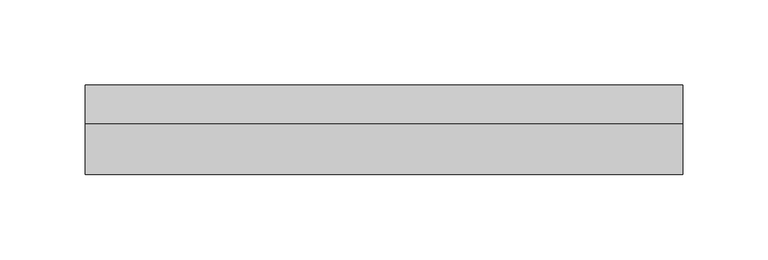
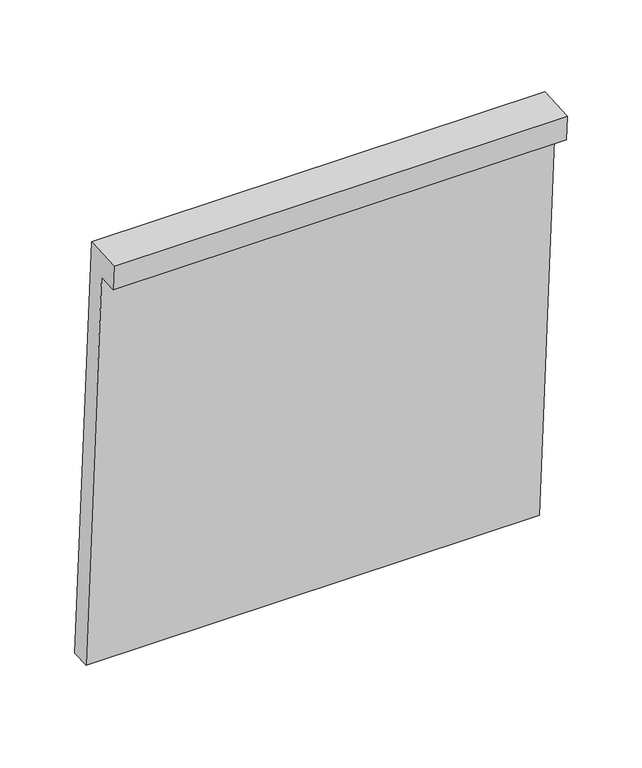
"""IFC4 building model written with IfcOpenShell, lengths in millimetres: plate geometry."""

from ifc_helpers import new_model, si_unit, frame, origin, place, context, project, spatial, polyline, outline, extrude, source, transform, mapped, element, save


def plate_17751ebe(model_context):
    return source(origin(), model_context, "Body", "SweptSolid", [
        extrude(outline(polyline([(52.4025306, -222.3528102), (37.4334594, -223.3155697), (16.2527506, 106.0039976), (1.2836793, 105.0412381), (0.0, 125.0), (29.9381425, 126.925519), (52.4025306, -222.3528102)])), frame((-175.0000002, 0.0, 0.0), z_axis=(1.0, 0.0, 0.0), x_axis=(0.0, 1.0, 0.0)), (0.0, 0.0, 1.0), 350.0000003),
    ])


if __name__ == "__main__":
    model = new_model("IFC4")
    model_context = context("Model", 3, world=origin())
    ifc_project = project(units=[si_unit("LENGTHUNIT", "METRE", prefix="MILLI")], contexts=[model_context])
    site = spatial("IfcSite", under=ifc_project)
    building = spatial("IfcBuilding", under=site)
    placement = place(None, origin())
    plate_shape = plate_17751ebe(model_context)
    element("IfcPlate", 1, at=placement, inside=building, context=model_context, shape_type="MappedRepresentation", body=[
        mapped(plate_shape, transform((0.0, 0.0, 0.0), x_axis=(1.0, 0.0, 0.0), y_axis=(0.0, 1.0, 0.0), z_axis=(0.0, 0.0, 1.0))),
    ])
    save(model, "model.ifc")
